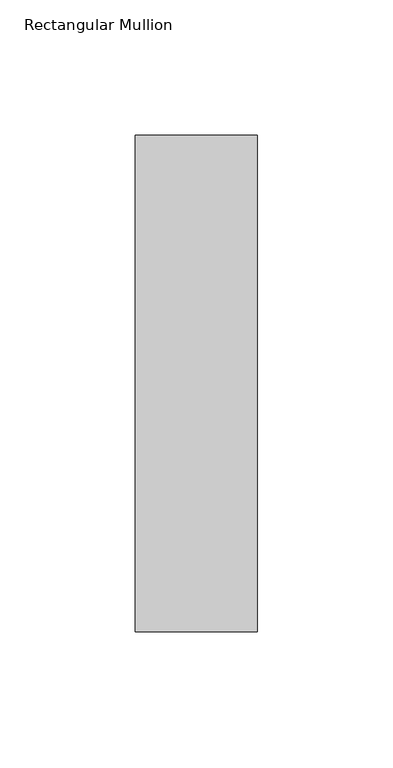
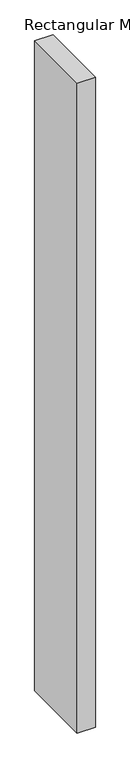
"""IFC4 building model written with IfcOpenShell, lengths in millimetres: member geometry, Rectangular Mullion."""

from ifc_helpers import new_model, si_unit, frame, origin, place, context, project, spatial, polyline, outline, extrude, source, transform, mapped, element, save


def rectangular_mullion_ad937d51(model_context):
    return source(origin(), model_context, "Body", "SweptSolid", [
        extrude(outline(polyline([(22.5, 137.05), (22.5, -46.05), (-22.5, -46.05), (-22.5, 137.05), (22.5, 137.05)])), frame((0.0, 0.0, -1708.8912252), z_axis=(0.0, 0.0, 1.0), x_axis=(1.0, 0.0, 0.0)), (0.0, 0.0, 1.0), 1708.8912252),
    ])


if __name__ == "__main__":
    model = new_model("IFC4")
    model_context = context("Model", 3, world=origin())
    ifc_project = project(units=[si_unit("LENGTHUNIT", "METRE", prefix="MILLI")], contexts=[model_context])
    site = spatial("IfcSite", under=ifc_project)
    building = spatial("IfcBuilding", under=site)
    placement = place(None, origin())
    rectangular_mullion_shape = rectangular_mullion_ad937d51(model_context)
    element("IfcMember", 1, ObjectType="Rectangular Mullion", at=placement, inside=building, context=model_context, shape_type="MappedRepresentation", body=[
        mapped(rectangular_mullion_shape, transform((0.0, 0.0, 0.0), x_axis=(1.0, 0.0, 0.0), y_axis=(0.0, 1.0, 0.0), z_axis=(0.0, 0.0, 1.0))),
    ])
    save(model, "model.ifc")
